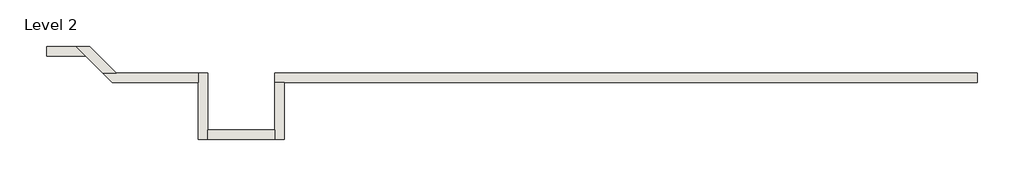
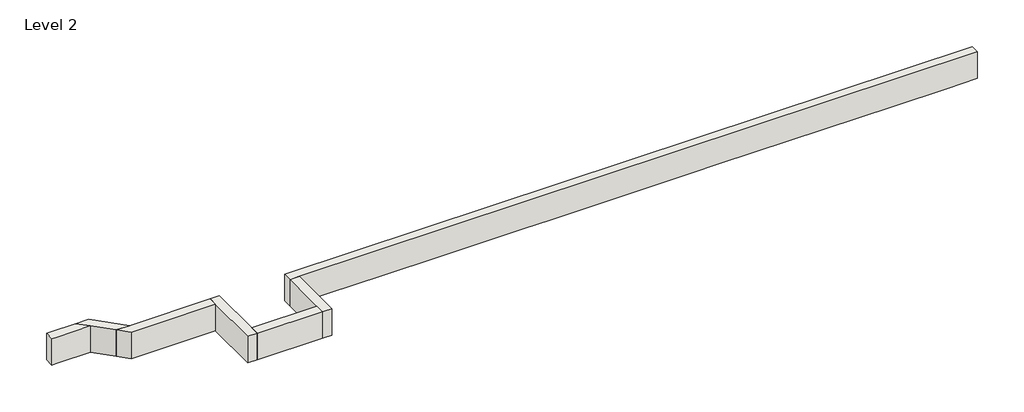
# One storey: 7 walls.
"""IFC4 building model written with IfcOpenShell, lengths in millimetres."""

from ifc_helpers import new_model, si_unit, frame, origin, place, context, project, spatial, polyline, outline, extrude, faceted_brep, element, save

model = new_model("IFC4")

# Units and contexts
model_context = context("Model", 3, world=origin())
ifc_project = project(units=[si_unit("LENGTHUNIT", "METRE", prefix="MILLI")], contexts=[model_context])

# Site, building, storey
site = spatial("IfcSite", under=ifc_project)
building = spatial("IfcBuilding", under=site)
storey = spatial("IfcBuildingStorey", under=building, Name="Level 2", Elevation=3048.0)

# Walls
placement = place(None, origin())
element("IfcWall", 1, ObjectType="Generic - 8\" Brick", at=placement, inside=storey, context=model_context, shape_type="Brep", body=[
    faceted_brep([(16605.9959275, 1422.3976187, 3048.0), (15970.9959275, 1422.3976187, 3048.0), (14751.7959275, 1422.3976187, 3048.0), (14020.757857, 1422.3976187, 3048.0), (10972.757857, 1422.3976187, 3048.0), (10363.157857, 1422.3976187, 3048.0), (7315.157857, 1422.3976187, 3048.0), (6705.557857, 1422.3976187, 3048.0), (4876.757857, 1422.3976187, 3048.0), (3657.557857, 1422.3976187, 3048.0), (1625.5602383, 1422.3976187, 3048.0), (1625.5602383, 1422.3976187, 3657.6), (16605.9959275, 1422.3976187, 3657.6), (16605.9959275, 1219.1976187, 3048.0), (16605.9959275, 1219.1976187, 3657.6), (1828.7602383, 1219.1976187, 3657.6), (1625.5602383, 1219.1976187, 3657.6), (1625.5602383, 1219.1976187, 3048.0), (1828.7602383, 1219.1976187, 3048.0), (3657.557857, 1219.1976187, 3048.0), (4876.757857, 1219.1976187, 3048.0), (6705.557857, 1219.1976187, 3048.0), (7315.157857, 1219.1976187, 3048.0), (10363.157857, 1219.1976187, 3048.0), (10972.757857, 1219.1976187, 3048.0), (14020.757857, 1219.1976187, 3048.0), (14751.7959275, 1219.1976187, 3048.0), (15970.9959275, 1219.1976187, 3048.0)], [[[0, 1, 2, 3, 4, 5, 6, 7, 8, 9, 10, 11, 12]], [[13, 14, 15, 16, 17, 18, 19, 20, 21, 22, 23, 24, 25, 26, 27]], [[10, 9, 8, 7, 6, 5, 4, 3, 2, 1, 0, 13, 27, 26, 25, 24, 23, 22, 21, 20, 19, 18, 17]], [[12, 11, 16, 15, 14]], [[0, 12, 14, 13]], [[11, 10, 17, 16]]]),
])
element("IfcWall", 2, ObjectType="Generic - 8\" Brick", at=placement, inside=storey, context=model_context, shape_type="Brep", body=[
    faceted_brep([(1625.5602383, 1219.1976187, 3048.0), (1625.5602383, 203.2, 3048.0), (1625.5602383, 0.0, 3048.0), (1625.5602383, 0.0, 3657.6), (1625.5602383, 203.2, 3657.6), (1625.5602383, 1219.1976187, 3657.6), (1828.7602383, 1219.1976187, 3048.0), (1828.7602383, 1219.1976187, 3657.6), (1828.7602383, 0.0, 3657.6), (1828.7602383, 0.0, 3048.0)], [[[0, 1, 2, 3, 4, 5]], [[6, 7, 8, 9]], [[2, 1, 0, 6, 9]], [[5, 4, 3, 8, 7]], [[0, 5, 7, 6]], [[3, 2, 9, 8]]]),
])
element("IfcWall", 3, ObjectType="Generic - 8\" Brick", at=placement, inside=storey, context=model_context, shape_type="SweptSolid", body=[
    extrude(outline(polyline([(203.157857, 203.2), (1625.5602383, 203.2), (1625.5602383, 0.0), (203.157857, 0.0), (203.157857, 203.2)])), frame((0.0, 0.0, 3048.0), z_axis=(0.0, 0.0, 1.0), x_axis=(1.0, 0.0, 0.0)), (0.0, 0.0, 1.0), 609.6),
])
element("IfcWall", 4, ObjectType="Generic - 8\" Brick", at=placement, inside=storey, context=model_context, shape_type="Brep", body=[
    faceted_brep([(203.157857, 0.0, 3048.0), (203.157857, 203.2, 3048.0), (203.157857, 1422.3976187, 3048.0), (203.157857, 1422.3976187, 3657.6), (203.157857, 203.2, 3657.6), (203.157857, 0.0, 3657.6), (-0.042143, 0.0, 3048.0), (-0.042143, 0.0, 3657.6), (-0.042143, 1219.1976187, 3657.6), (-0.042143, 1422.3976187, 3657.6), (-0.042143, 1422.3976187, 3048.0), (-0.042143, 1219.1976187, 3048.0)], [[[0, 1, 2, 3, 4, 5]], [[6, 7, 8, 9, 10, 11]], [[2, 1, 0, 6, 11, 10]], [[5, 4, 3, 9, 8, 7]], [[0, 5, 7, 6]], [[3, 2, 10, 9]]]),
])
element("IfcWall", 5, ObjectType="Generic - 8\" Brick", at=placement, inside=storey, context=model_context, shape_type="Brep", body=[
    faceted_brep([(-0.042143, 1422.3976187, 3048.0), (-1751.1739529, 1422.3976187, 3048.0), (-2038.5421487, 1422.3976187, 3048.0), (-2038.5421487, 1422.3976187, 3657.6), (-1751.1739529, 1422.3976187, 3657.6), (-0.042143, 1422.3976187, 3657.6), (-0.042143, 1219.1976187, 3048.0), (-0.042143, 1219.1976187, 3657.6), (-1835.3421487, 1219.1976187, 3657.6), (-1835.3421487, 1219.1976187, 3048.0)], [[[0, 1, 2, 3, 4, 5]], [[6, 7, 8, 9]], [[2, 1, 0, 6, 9]], [[5, 4, 3, 8, 7]], [[0, 5, 7, 6]], [[3, 2, 9, 8]]]),
])
element("IfcWall", 6, ObjectType="Generic - 8\" Brick", at=placement, inside=storey, context=model_context, shape_type="Brep", body=[
    faceted_brep([(-1751.1739529, 1422.3976187, 3048.0), (-2315.548536, 1986.7722019, 3048.0), (-2315.548536, 1986.7722019, 3657.6), (-1751.1739529, 1422.3976187, 3657.6), (-2038.5421487, 1422.3976187, 3048.0), (-2038.5421487, 1422.3976187, 3657.6), (-2399.7167319, 1783.5722019, 3657.6), (-2602.9167319, 1986.7722019, 3657.6), (-2602.9167319, 1986.7722019, 3048.0), (-2399.7167319, 1783.5722019, 3048.0)], [[[0, 1, 2, 3]], [[4, 5, 6, 7, 8, 9]], [[1, 0, 4, 9, 8]], [[3, 2, 7, 6, 5]], [[2, 1, 8, 7]], [[0, 3, 5, 4]]]),
])
element("IfcWall", 7, ObjectType="Generic - 8\" Brick", at=placement, inside=storey, context=model_context, shape_type="Brep", body=[
    faceted_brep([(-2602.9167319, 1986.7722019, 3048.0), (-3134.8862725, 1986.7722019, 3048.0), (-3236.4862725, 1986.7722019, 3048.0), (-3236.4862725, 1986.7722019, 3657.6), (-3134.8862725, 1986.7722019, 3657.6), (-2602.9167319, 1986.7722019, 3657.6), (-2399.7167319, 1783.5722019, 3048.0), (-2399.7167319, 1783.5722019, 3657.6), (-3134.8862725, 1783.5722019, 3657.6), (-3236.4862725, 1783.5722019, 3657.6), (-3236.4862725, 1783.5722019, 3048.0), (-3134.8862725, 1783.5722019, 3048.0)], [[[0, 1, 2, 3, 4, 5]], [[6, 7, 8, 9, 10, 11]], [[2, 1, 0, 6, 11, 10]], [[3, 2, 10, 9]], [[5, 4, 3, 9, 8, 7]], [[0, 5, 7, 6]]]),
])

save(model, "model.ifc")
